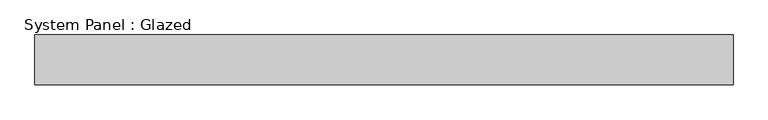
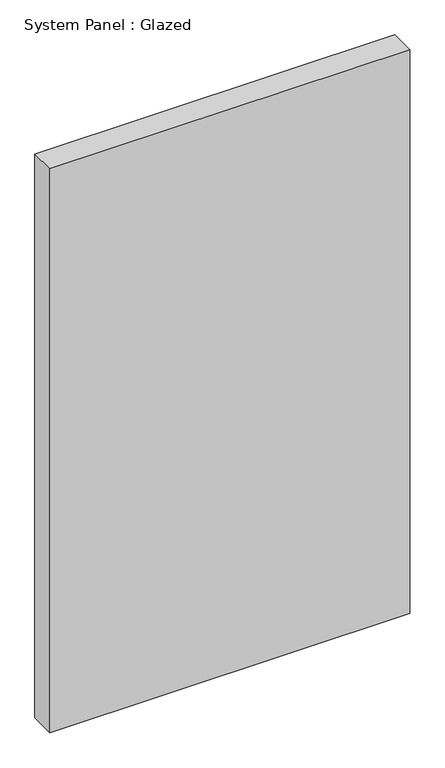
"""IFC4 building model written with IfcOpenShell, lengths in millimetres: plate geometry, System Panel : Glazed."""

from ifc_helpers import new_model, si_unit, origin, origin_with_axes, place, context, project, spatial, polyline, outline, extrude, source, transform, mapped, element, save


def system_panel_glazed_79940122(model_context):
    return source(origin(), model_context, "Body", "SweptSolid", [
        extrude(outline(polyline([(701.6666667, 50.0), (-701.6666667, 50.0), (-701.6666667, 150.0), (701.6666667, 150.0), (701.6666667, 50.0)])), origin_with_axes(), (0.0, 0.0, 1.0), 2325.0),
    ])


if __name__ == "__main__":
    model = new_model("IFC4")
    model_context = context("Model", 3, world=origin())
    ifc_project = project(units=[si_unit("LENGTHUNIT", "METRE", prefix="MILLI")], contexts=[model_context])
    site = spatial("IfcSite", under=ifc_project)
    building = spatial("IfcBuilding", under=site)
    placement = place(None, origin())
    system_panel_glazed_shape = system_panel_glazed_79940122(model_context)
    element("IfcPlate", 1, ObjectType="System Panel : Glazed", at=placement, inside=building, context=model_context, shape_type="MappedRepresentation", body=[
        mapped(system_panel_glazed_shape, transform((0.0, 0.0, 0.0), x_axis=(1.0, 0.0, 0.0), y_axis=(0.0, 1.0, 0.0), z_axis=(0.0, 0.0, 1.0))),
    ])
    save(model, "model.ifc")
